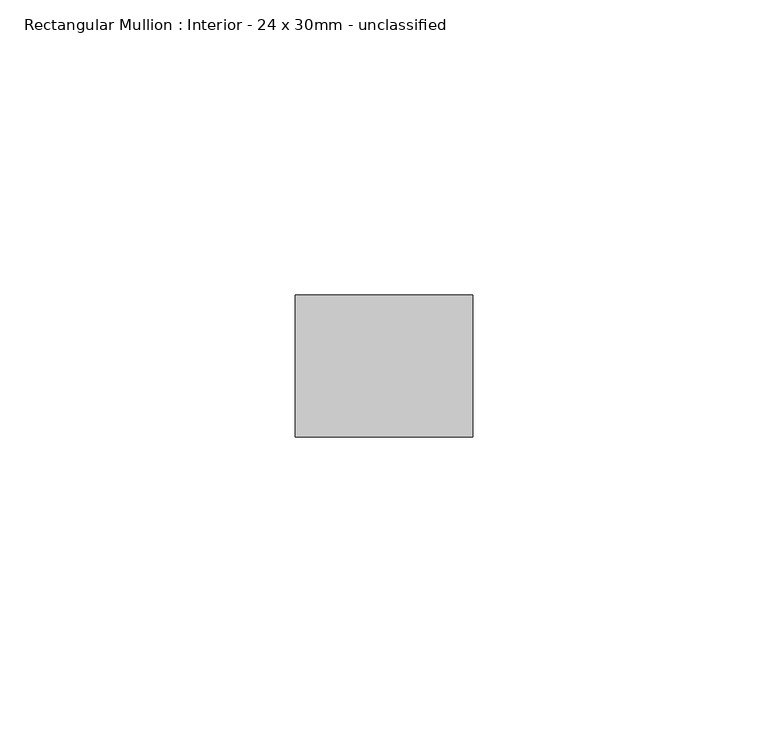
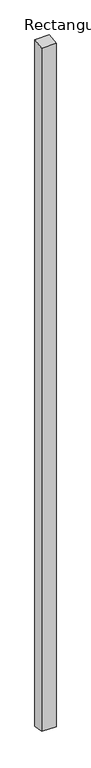
"""IFC4 building model written with IfcOpenShell, lengths in millimetres: member geometry, Rectangular Mullion : Interior - 24 x 30mm - unclassified."""

from ifc_helpers import new_model, si_unit, frame, origin, place, context, project, spatial, polyline, outline, extrude, source, transform, mapped, element, save


def rectangular_mullion_interior_24_x_30mm_unclassified_701a8645(model_context):
    return source(origin(), model_context, "Body", "SweptSolid", [
        extrude(outline(polyline([(-12.0, -1.8205983), (12.0, 1.8205983), (12.0, -1501.8392319), (-12.0, -1498.1607681), (-12.0, -1.8205983)])), frame((-30.0, 0.0, 0.0), z_axis=(1.0, 0.0, 0.0), x_axis=(0.0, 1.0, 0.0)), (0.0, 0.0, 1.0), 30.0),
    ])


if __name__ == "__main__":
    model = new_model("IFC4")
    model_context = context("Model", 3, world=origin())
    ifc_project = project(units=[si_unit("LENGTHUNIT", "METRE", prefix="MILLI")], contexts=[model_context])
    site = spatial("IfcSite", under=ifc_project)
    building = spatial("IfcBuilding", under=site)
    placement = place(None, origin())
    rectangular_mullion_interior_24_x_30mm_unclassified_shape = rectangular_mullion_interior_24_x_30mm_unclassified_701a8645(model_context)
    element("IfcMember", 1, ObjectType="Rectangular Mullion : Interior - 24 x 30mm - unclassified", at=placement, inside=building, context=model_context, shape_type="MappedRepresentation", body=[
        mapped(rectangular_mullion_interior_24_x_30mm_unclassified_shape, transform((0.0, 0.0, 0.0), x_axis=(1.0, 0.0, 0.0), y_axis=(0.0, 1.0, 0.0), z_axis=(0.0, 0.0, 1.0))),
    ])
    save(model, "model.ifc")
